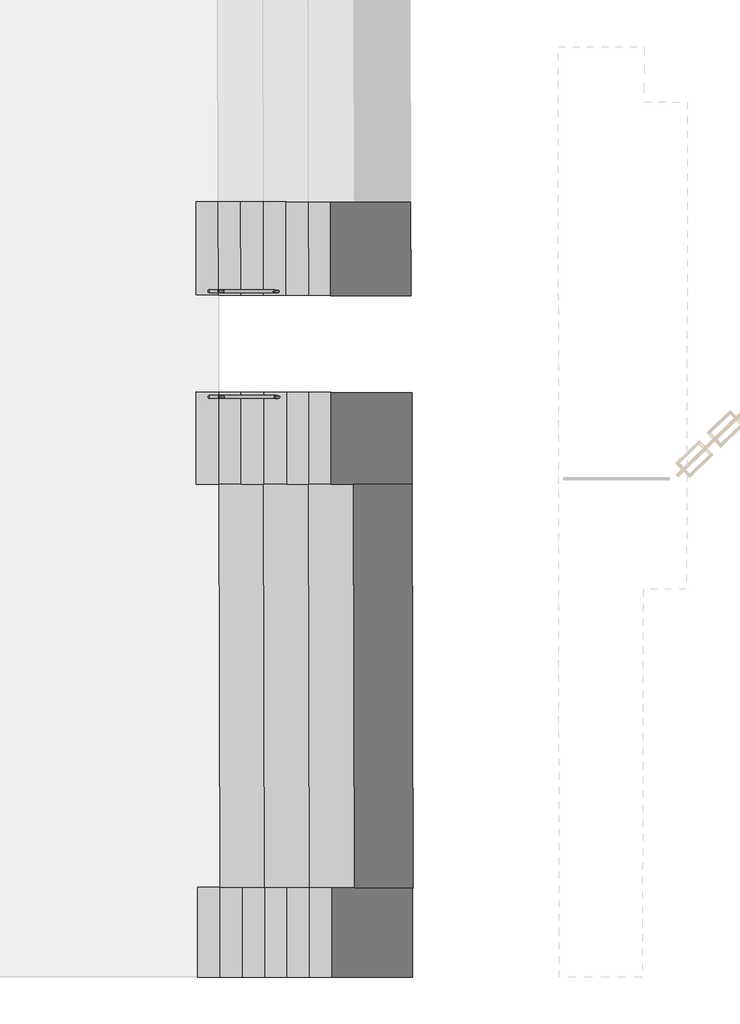
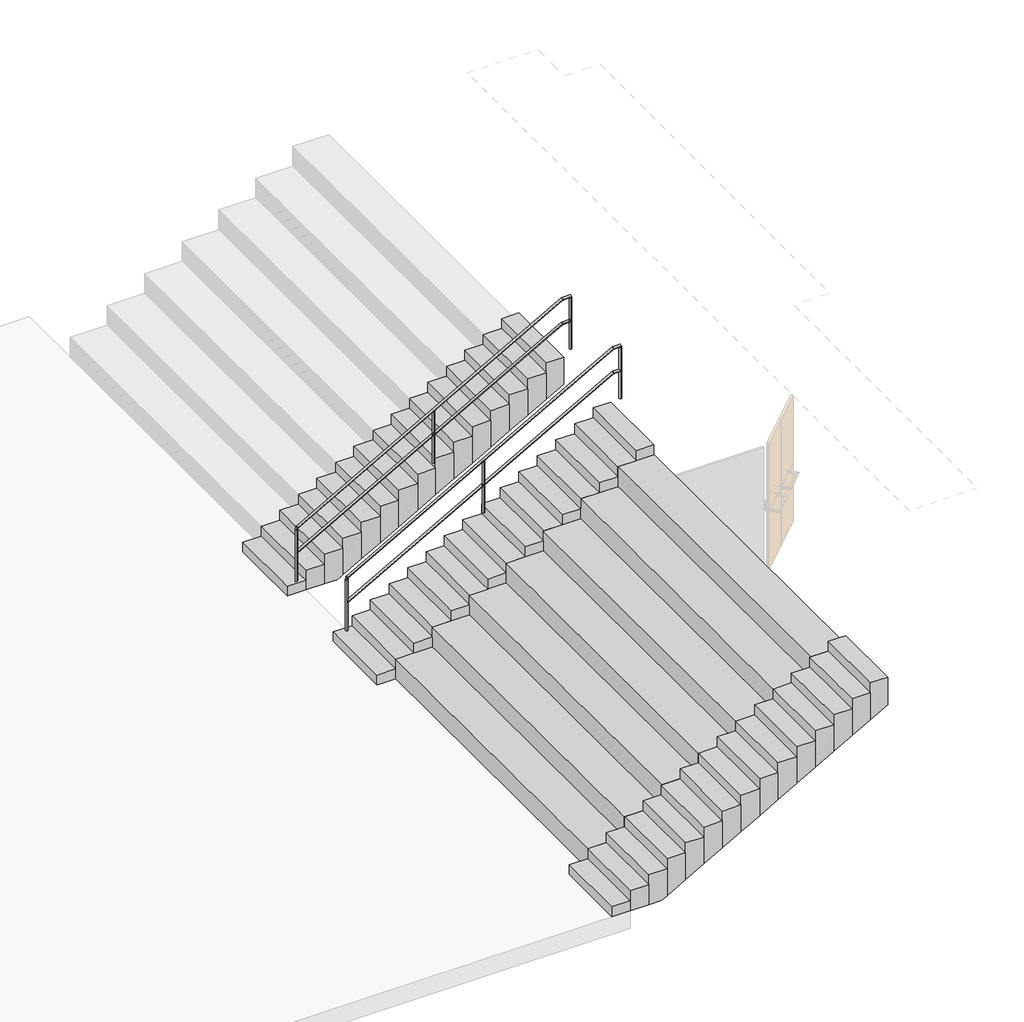
# One storey, part 5 of 6: 4 stair flights, 2 railings.
"""IFC4 building model written with IfcOpenShell, lengths in millimetres."""

from ifc_helpers import new_model, si_unit, frame, origin, place, context, project, spatial, circle_curve, ellipse_curve, faceted_brep, element, save
from ifc_brep_helpers import plane_surface, cylinder_surface, advanced_brep

model = new_model("IFC4")

# Units and contexts
model_context = context("Model", 3, world=origin())
ifc_project = project(units=[si_unit("LENGTHUNIT", "METRE", prefix="MILLI")], contexts=[model_context])

# Site, building, storey
site = spatial("IfcSite", under=ifc_project)
building = spatial("IfcBuilding", under=site)
storey = spatial("IfcBuildingStorey", under=building, Elevation=-9747.0673671)

# Railings
placement = place(None, origin())
element("IfcRailing", 1, at=placement, inside=storey, context=model_context, shape_type="AdvancedBrep", body=[
    advanced_brep(
    [(41979.0604048, -31465.120126, -8632.7191182), (41979.2500195, -31425.1205754, -8632.7191182), (46291.16645, -31485.5613203, -6190.0), (46291.3560646, -31445.5617697, -6190.0), (46431.1693648, -31486.2249929, -6190.0), (46431.3589795, -31446.2254424, -6190.0)],
    [
        (0, 1, ellipse_curve(frame((41979.1552122, -31445.1203507, -8632.7191182), z_axis=(-0.9999887643978026, 0.004740366879895171, 0.0), x_axis=(0.0, 0.0, -1.0)), 22.9860102, 20.0)),
        (1, 0, ellipse_curve(frame((41979.1552122, -31445.1203507, -8632.7191182), z_axis=(-0.9999887643978026, 0.004740366879895171, 0.0), x_axis=(0.0, 0.0, -1.0)), 22.9860102, 20.0)),
        (0, 2),
        (2, 3, ellipse_curve(frame((46291.2612573, -31465.561545, -6190.0), z_axis=(-0.96696753561581, 0.004583832381886502, -0.2548583401534703), x_axis=(0.25485547666654323, -0.0012081220347372086, -0.9669784002004483)), 20.6829853, 20.0)),
        (3, 1),
        (3, 2, ellipse_curve(frame((46291.2612573, -31465.561545, -6190.0), z_axis=(-0.96696753561581, 0.004583832381886502, -0.2548583401534703), x_axis=(0.25485547666654323, -0.0012081220347372086, -0.9669784002004483)), 20.6829853, 20.0)),
        (4, 5, circle_curve(frame((46431.2641721, -31466.2252177, -6190.0), z_axis=(0.9999887643978026, -0.004740366879899579, 0.0), x_axis=(0.004740366879899579, 0.9999887643978026, 0.0)), 20.0)),
        (5, 4, circle_curve(frame((46431.2641721, -31466.2252177, -6190.0), z_axis=(0.9999887643978026, -0.004740366879899579, 0.0), x_axis=(0.004740366879899579, 0.9999887643978026, 0.0)), 20.0)),
        (2, 4),
        (5, 3),
    ],
    [
        plane_surface(frame((41979.1552122, -31445.1203507, -8632.7191182), z_axis=(-0.9999887643978026, 0.004740366879895171, 0.0), x_axis=(0.004740366879895171, 0.9999887643978026, 0.0))),
        cylinder_surface(frame((41979.1552122, -31445.1203507, -8632.7191182), z_axis=(-0.8700846768732892, 0.0041245669269476615, -0.49288502007868834), x_axis=(0.004740366879895173, 0.9999887643978026, 0.0)), 20.0),
        plane_surface(frame((46431.2641721, -31466.2252177, -6190.0), z_axis=(0.9999887643978026, -0.004740366879899577, 0.0), x_axis=(0.004740366879899577, 0.9999887643978026, 0.0))),
        cylinder_surface(frame((46291.2612573, -31465.561545, -6190.0), z_axis=(-0.9999887643978026, 0.004740366879899579, 0.0), x_axis=(0.004740366879899579, 0.9999887643978026, 0.0)), 20.0),
    ],
    [
        (0, [[1, 2]]),
        (1, [[-1, 3, 4, 5]]),
        (1, [[-2, -5, 6, -3]]),
        (2, [[7, 8]]),
        (3, [[-4, 9, -8, 10]]),
        (3, [[-6, -10, -7, -9]]),
    ],
),
    advanced_brep(
    [(41979.2500195, -31425.1205754, -9052.7191182), (41979.0604048, -31465.120126, -9052.7191182), (46291.3560646, -31445.5617697, -6610.0), (46291.16645, -31485.5613203, -6610.0), (46431.3589795, -31446.2254424, -6610.0), (46431.1693648, -31486.2249929, -6610.0)],
    [
        (0, 1, ellipse_curve(frame((41979.1552122, -31445.1203507, -9052.7191182), z_axis=(-0.9999887643978026, 0.004740366879895171, 0.0), x_axis=(0.0, 0.0, -1.0)), 22.9860102, 20.0)),
        (1, 0, ellipse_curve(frame((41979.1552122, -31445.1203507, -9052.7191182), z_axis=(-0.9999887643978026, 0.004740366879895171, 0.0), x_axis=(0.0, 0.0, -1.0)), 22.9860102, 20.0)),
        (0, 2),
        (2, 3, ellipse_curve(frame((46291.2612573, -31465.561545, -6610.0), z_axis=(-0.96696753561581, 0.004583832381886502, -0.2548583401534703), x_axis=(0.25485547666654323, -0.0012081220347372086, -0.9669784002004483)), 20.6829853, 20.0)),
        (3, 1),
        (3, 2, ellipse_curve(frame((46291.2612573, -31465.561545, -6610.0), z_axis=(-0.96696753561581, 0.004583832381886502, -0.2548583401534703), x_axis=(0.25485547666654323, -0.0012081220347372086, -0.9669784002004483)), 20.6829853, 20.0)),
        (4, 5, circle_curve(frame((46431.2641721, -31466.2252177, -6610.0), z_axis=(0.9999887643978026, -0.004740366879899579, 0.0), x_axis=(-0.004740366879899579, -0.9999887643978026, 0.0)), 20.0)),
        (5, 4, circle_curve(frame((46431.2641721, -31466.2252177, -6610.0), z_axis=(0.9999887643978026, -0.004740366879899579, 0.0), x_axis=(-0.004740366879899579, -0.9999887643978026, 0.0)), 20.0)),
        (2, 4),
        (5, 3),
    ],
    [
        plane_surface(frame((41979.1552122, -31445.1203507, -9052.7191182), z_axis=(-0.9999887643978026, 0.004740366879895171, 0.0), x_axis=(0.004740366879895171, 0.9999887643978026, 0.0))),
        cylinder_surface(frame((41979.1552122, -31445.1203507, -9052.7191182), z_axis=(-0.8700846768732892, 0.0041245669269476615, -0.49288502007868834), x_axis=(-0.004740366879895173, -0.9999887643978026, 0.0)), 20.0),
        plane_surface(frame((46431.2641721, -31466.2252177, -6610.0), z_axis=(0.9999887643978026, -0.004740366879899577, 0.0), x_axis=(0.004740366879899577, 0.9999887643978026, 0.0))),
        cylinder_surface(frame((46291.2612573, -31465.561545, -6610.0), z_axis=(-0.9999887643978026, 0.004740366879899579, 0.0), x_axis=(-0.004740366879899579, -0.9999887643978026, 0.0)), 20.0),
    ],
    [
        (0, [[1, 2]]),
        (1, [[-1, 3, 4, 5]]),
        (1, [[-2, -5, 6, -3]]),
        (2, [[7, 8]]),
        (3, [[-4, 9, -8, 10]]),
        (3, [[-6, -10, -7, -9]]),
    ],
),
    advanced_brep(
    [(44205.11492, -31475.6651377, -7394.6911878), (44205.11492, -31475.6651377, -8283.0919731), (44225.2020457, -31455.7675563, -8283.0919731), (44205.3044643, -31435.6804307, -8283.0919731), (44205.3044643, -31435.6804307, -7394.6911878), (44225.2020457, -31455.7675563, -7383.365932), (44185.2173387, -31455.578012, -7406.0164436), (44185.2173387, -31455.578012, -8283.0919731)],
    [
        (0, 1),
        (1, 2, circle_curve(frame((44205.2096922, -31455.6727842, -8283.0919731), z_axis=(0.0, 0.0, 1.0000000000000002), x_axis=(0.004740366879895172, 0.9999887643978027, 0.0)), 19.9925781)),
        (2, 3, circle_curve(frame((44205.2096922, -31455.6727842, -8283.0919731), z_axis=(0.0, 0.0, 1.0000000000000002), x_axis=(0.004740366879895172, 0.9999887643978027, 0.0)), 19.9925781)),
        (3, 4),
        (4, 5, ellipse_curve(frame((44205.2096922, -31455.6727842, -7394.6911878), z_axis=(0.4928794822186707, -0.0023364558247774662, -0.8700944529084383), x_axis=(0.8700846768732913, -0.00412456692694767, 0.492885020078685)), 22.9774803, 19.9925781)),
        (5, 0, ellipse_curve(frame((44205.2096922, -31455.6727842, -7394.6911878), z_axis=(0.4928794822186707, -0.0023364558247774662, -0.8700944529084383), x_axis=(0.8700846768732913, -0.00412456692694767, 0.492885020078685)), 22.9774803, 19.9925781)),
        (0, 6, ellipse_curve(frame((44205.2096922, -31455.6727842, -7394.6911878), z_axis=(0.4928794822186707, -0.0023364558247774662, -0.8700944529084383), x_axis=(0.8700846768732913, -0.00412456692694767, 0.492885020078685)), 22.9774803, 19.9925781)),
        (6, 4, ellipse_curve(frame((44205.2096922, -31455.6727842, -7394.6911878), z_axis=(0.4928794822186707, -0.0023364558247774662, -0.8700944529084383), x_axis=(0.8700846768732913, -0.00412456692694767, 0.492885020078685)), 22.9774803, 19.9925781)),
        (3, 7, circle_curve(frame((44205.2096922, -31455.6727842, -8283.0919731), z_axis=(0.0, 0.0, 1.0000000000000002), x_axis=(0.004740366879895172, 0.9999887643978027, 0.0)), 19.9925781)),
        (7, 1, circle_curve(frame((44205.2096922, -31455.6727842, -8283.0919731), z_axis=(0.0, 0.0, 1.0000000000000002), x_axis=(0.004740366879895172, 0.9999887643978027, 0.0)), 19.9925781)),
    ],
    [
        cylinder_surface(frame((44205.2096922, -31455.6727842, -8511.6919731), z_axis=(0.0, 0.0, 1.0000000000000002), x_axis=(0.004740366879895172, 0.9999887643978027, 0.0)), 19.9925781),
        plane_surface(frame((44225.2968178, -31435.7752028, -7383.365932), z_axis=(-0.4928794822186707, 0.0023364558247774662, 0.8700944529084383), x_axis=(-0.004740366879895172, -0.9999887643978027, 0.0))),
        plane_surface(frame((44185.3121108, -31435.5856585, -8283.0919731), z_axis=(0.0, 0.0, -1.0000000000000002), x_axis=(-0.004740366879895172, -0.9999887643978027, 0.0))),
    ],
    [
        (0, [[1, 2, 3, 4, 5, 6]]),
        (0, [[-1, 7, 8, -4, 9, 10]]),
        (1, [[-6, -5, -8, -7]]),
        (2, [[-2, -10, -9, -3]]),
    ],
),
    advanced_brep(
    [(46431.1694, -31486.2175712, -6210.0), (46431.1694, -31486.2175712, -7090.0), (46451.2565256, -31466.3199898, -7090.0), (46431.3589443, -31446.2328642, -7090.0), (46431.3589443, -31446.2328642, -6210.0), (46451.2565256, -31466.3199898, -6210.0), (46411.2718186, -31466.1304455, -6210.0), (46411.2718186, -31466.1304455, -7090.0)],
    [
        (0, 1),
        (1, 2, circle_curve(frame((46431.2641721, -31466.2252177, -7090.0), z_axis=(0.0, 0.0, 1.0000000000000002), x_axis=(0.004740366879895172, 0.9999887643978027, 0.0)), 19.9925781)),
        (2, 3, circle_curve(frame((46431.2641721, -31466.2252177, -7090.0), z_axis=(0.0, 0.0, 1.0000000000000002), x_axis=(0.004740366879895172, 0.9999887643978027, 0.0)), 19.9925781)),
        (3, 4),
        (4, 5, circle_curve(frame((46431.2641721, -31466.2252177, -6210.0), z_axis=(0.0, 0.0, -1.0000000000000002), x_axis=(0.004740366879895172, 0.9999887643978027, 0.0)), 19.9925781)),
        (5, 0, circle_curve(frame((46431.2641721, -31466.2252177, -6210.0), z_axis=(0.0, 0.0, -1.0000000000000002), x_axis=(0.004740366879895172, 0.9999887643978027, 0.0)), 19.9925781)),
        (0, 6, circle_curve(frame((46431.2641721, -31466.2252177, -6210.0), z_axis=(0.0, 0.0, -1.0000000000000002), x_axis=(0.004740366879895172, 0.9999887643978027, 0.0)), 19.9925781)),
        (6, 4, circle_curve(frame((46431.2641721, -31466.2252177, -6210.0), z_axis=(0.0, 0.0, -1.0000000000000002), x_axis=(0.004740366879895172, 0.9999887643978027, 0.0)), 19.9925781)),
        (3, 7, circle_curve(frame((46431.2641721, -31466.2252177, -7090.0), z_axis=(0.0, 0.0, 1.0000000000000002), x_axis=(0.004740366879895172, 0.9999887643978027, 0.0)), 19.9925781)),
        (7, 1, circle_curve(frame((46431.2641721, -31466.2252177, -7090.0), z_axis=(0.0, 0.0, 1.0000000000000002), x_axis=(0.004740366879895172, 0.9999887643978027, 0.0)), 19.9925781)),
    ],
    [
        cylinder_surface(frame((46431.2641721, -31466.2252177, -7318.6), z_axis=(0.0, 0.0, 1.0000000000000002), x_axis=(0.004740366879895172, 0.9999887643978027, 0.0)), 19.9925781),
        plane_surface(frame((46451.3512978, -31446.3276363, -6210.0), z_axis=(0.0, 0.0, 1.0000000000000002), x_axis=(-0.004740366879895172, -0.9999887643978027, 0.0))),
        plane_surface(frame((46411.3665908, -31446.138092, -7090.0), z_axis=(0.0, 0.0, -1.0000000000000002), x_axis=(-0.004740366879895172, -0.9999887643978027, 0.0))),
    ],
    [
        (0, [[1, 2, 3, 4, 5, 6]]),
        (0, [[-1, 7, 8, -4, 9, 10]]),
        (1, [[-6, -5, -8, -7]]),
        (2, [[-2, -10, -9, -3]]),
    ],
),
    advanced_brep(
    [(41979.06044, -31465.1127042, -8655.7051284), (41979.06044, -31465.1127042, -9646.6256566), (41999.1475657, -31445.2151228, -9646.6256566), (41979.2499843, -31425.1279972, -9646.6256566), (41979.2499843, -31425.1279972, -8655.7051284), (41999.1475657, -31445.2151228, -8644.3798726), (41959.1628587, -31445.0255785, -8667.0303842), (41959.1628587, -31445.0255785, -9646.6256566)],
    [
        (0, 1),
        (1, 2, circle_curve(frame((41979.1552122, -31445.1203507, -9646.6256566), z_axis=(0.0, 0.0, 1.0000000000000002), x_axis=(0.004740366879895172, 0.9999887643978027, 0.0)), 19.9925781)),
        (2, 3, circle_curve(frame((41979.1552122, -31445.1203507, -9646.6256566), z_axis=(0.0, 0.0, 1.0000000000000002), x_axis=(0.004740366879895172, 0.9999887643978027, 0.0)), 19.9925781)),
        (3, 4),
        (4, 5, ellipse_curve(frame((41979.1552122, -31445.1203507, -8655.7051284), z_axis=(0.4928794822186707, -0.0023364558247774662, -0.8700944529084383), x_axis=(0.8700846768732913, -0.00412456692694767, 0.492885020078685)), 22.9774803, 19.9925781)),
        (5, 0, ellipse_curve(frame((41979.1552122, -31445.1203507, -8655.7051284), z_axis=(0.4928794822186707, -0.0023364558247774662, -0.8700944529084383), x_axis=(0.8700846768732913, -0.00412456692694767, 0.492885020078685)), 22.9774803, 19.9925781)),
        (0, 6, ellipse_curve(frame((41979.1552122, -31445.1203507, -8655.7051284), z_axis=(0.4928794822186707, -0.0023364558247774662, -0.8700944529084383), x_axis=(0.8700846768732913, -0.00412456692694767, 0.492885020078685)), 22.9774803, 19.9925781)),
        (6, 4, ellipse_curve(frame((41979.1552122, -31445.1203507, -8655.7051284), z_axis=(0.4928794822186707, -0.0023364558247774662, -0.8700944529084383), x_axis=(0.8700846768732913, -0.00412456692694767, 0.492885020078685)), 22.9774803, 19.9925781)),
        (3, 7, circle_curve(frame((41979.1552122, -31445.1203507, -9646.6256566), z_axis=(0.0, 0.0, 1.0000000000000002), x_axis=(0.004740366879895172, 0.9999887643978027, 0.0)), 19.9925781)),
        (7, 1, circle_curve(frame((41979.1552122, -31445.1203507, -9646.6256566), z_axis=(0.0, 0.0, 1.0000000000000002), x_axis=(0.004740366879895172, 0.9999887643978027, 0.0)), 19.9925781)),
    ],
    [
        cylinder_surface(frame((41979.1552122, -31445.1203507, -9875.2256566), z_axis=(0.0, 0.0, 1.0000000000000002), x_axis=(0.004740366879895172, 0.9999887643978027, 0.0)), 19.9925781),
        plane_surface(frame((41999.2423378, -31425.2227693, -8644.3798726), z_axis=(-0.4928794822186707, 0.0023364558247774662, 0.8700944529084383), x_axis=(-0.004740366879895172, -0.9999887643978027, 0.0))),
        plane_surface(frame((41959.2576308, -31425.033225, -9646.6256566), z_axis=(0.0, 0.0, -1.0000000000000002), x_axis=(-0.004740366879895172, -0.9999887643978027, 0.0))),
    ],
    [
        (0, [[1, 2, 3, 4, 5, 6]]),
        (0, [[-1, 7, 8, -4, 9, 10]]),
        (1, [[-6, -5, -8, -7]]),
        (2, [[-2, -10, -9, -3]]),
    ],
),
])
element("IfcRailing", 2, at=placement, inside=storey, context=model_context, shape_type="AdvancedBrep", body=[
    advanced_brep(
    [(41980.4528002, -32878.5881178, -8635.5866067), (41980.5885119, -32838.588348, -8635.5866067), (46311.5186989, -32893.2826119, -6190.0), (46311.6544107, -32853.2828421, -6190.0), (46431.5186989, -32893.6897494, -6190.0), (46431.6544107, -32853.6899796, -6190.0)],
    [
        (0, 1, ellipse_curve(frame((41980.520656, -32858.5882329, -8635.5866067), z_axis=(-0.9999942444616842, 0.0033927928768881957, 0.0), x_axis=(0.0, 0.0, -1.0)), 22.9681436, 20.0)),
        (1, 0, ellipse_curve(frame((41980.520656, -32858.5882329, -8635.5866067), z_axis=(-0.9999942444616842, 0.0033927928768881957, 0.0), x_axis=(0.0, 0.0, -1.0)), 22.9681436, 20.0)),
        (0, 2),
        (2, 3, ellipse_curve(frame((46311.5865548, -32873.282727, -6190.0), z_axis=(-0.9671478049221507, 0.0032813510693777146, -0.2541935407704631), x_axis=(0.2541920777497995, -0.0008624260344693314, -0.9671533714104371)), 20.6792434, 20.0)),
        (3, 1),
        (3, 2, ellipse_curve(frame((46311.5865548, -32873.282727, -6190.0), z_axis=(-0.9671478049221507, 0.0032813510693777146, -0.2541935407704631), x_axis=(0.2541920777497995, -0.0008624260344693314, -0.9671533714104371)), 20.6792434, 20.0)),
        (4, 5, circle_curve(frame((46431.5865548, -32873.6898645, -6190.0), z_axis=(0.9999942444616843, -0.0033927928768842873, 0.0), x_axis=(0.0033927928768842873, 0.9999942444616843, 0.0)), 20.0)),
        (5, 4, circle_curve(frame((46431.5865548, -32873.6898645, -6190.0), z_axis=(0.9999942444616843, -0.0033927928768842873, 0.0), x_axis=(0.0033927928768842873, 0.9999942444616843, 0.0)), 20.0)),
        (2, 4),
        (5, 3),
    ],
    [
        plane_surface(frame((41980.520656, -32858.5882329, -8635.5866067), z_axis=(-0.9999942444616842, 0.0033927928768881957, 0.0), x_axis=(0.0033927928768881957, 0.9999942444616842, 0.0))),
        cylinder_surface(frame((41980.520656, -32858.5882329, -8635.5866067), z_axis=(-0.8707662759036393, 0.002954346622175511, -0.4916882798938197), x_axis=(0.003392792876888195, 0.9999942444616842, 0.0)), 20.0),
        plane_surface(frame((46431.5865548, -32873.6898645, -6190.0), z_axis=(0.9999942444616843, -0.003392792876884287, 0.0), x_axis=(0.003392792876884287, 0.9999942444616843, 0.0))),
        cylinder_surface(frame((46311.5865548, -32873.282727, -6190.0), z_axis=(-0.9999942444616843, 0.0033927928768842873, 0.0), x_axis=(0.0033927928768842873, 0.9999942444616843, 0.0)), 20.0),
    ],
    [
        (0, [[1, 2]]),
        (1, [[-1, 3, 4, 5]]),
        (1, [[-2, -5, 6, -3]]),
        (2, [[7, 8]]),
        (3, [[-4, 9, -8, 10]]),
        (3, [[-6, -10, -7, -9]]),
    ],
),
    advanced_brep(
    [(41980.4528002, -32878.5881178, -9055.5866067), (41980.5885119, -32838.588348, -9055.5866067), (46311.5186989, -32893.2826119, -6610.0), (46311.6544107, -32853.2828421, -6610.0), (46431.5186989, -32893.6897494, -6610.0), (46431.6544107, -32853.6899796, -6610.0)],
    [
        (0, 1, ellipse_curve(frame((41980.520656, -32858.5882329, -9055.5866067), z_axis=(-0.9999942444616842, 0.0033927928768881957, 0.0), x_axis=(0.0, 0.0, -1.0)), 22.9681436, 20.0)),
        (1, 0, ellipse_curve(frame((41980.520656, -32858.5882329, -9055.5866067), z_axis=(-0.9999942444616842, 0.0033927928768881957, 0.0), x_axis=(0.0, 0.0, -1.0)), 22.9681436, 20.0)),
        (0, 2),
        (2, 3, ellipse_curve(frame((46311.5865548, -32873.282727, -6610.0), z_axis=(-0.9671478049221507, 0.0032813510693777146, -0.2541935407704631), x_axis=(0.2541920777497995, -0.0008624260344693314, -0.9671533714104371)), 20.6792434, 20.0)),
        (3, 1),
        (3, 2, ellipse_curve(frame((46311.5865548, -32873.282727, -6610.0), z_axis=(-0.9671478049221507, 0.0032813510693777146, -0.2541935407704631), x_axis=(0.2541920777497995, -0.0008624260344693314, -0.9671533714104371)), 20.6792434, 20.0)),
        (4, 5, circle_curve(frame((46431.5865548, -32873.6898645, -6610.0), z_axis=(0.9999942444616843, -0.0033927928768842873, 0.0), x_axis=(0.0033927928768842873, 0.9999942444616843, 0.0)), 20.0)),
        (5, 4, circle_curve(frame((46431.5865548, -32873.6898645, -6610.0), z_axis=(0.9999942444616843, -0.0033927928768842873, 0.0), x_axis=(0.0033927928768842873, 0.9999942444616843, 0.0)), 20.0)),
        (2, 4),
        (5, 3),
    ],
    [
        plane_surface(frame((41980.520656, -32858.5882329, -9055.5866067), z_axis=(-0.9999942444616842, 0.0033927928768881957, 0.0), x_axis=(0.0033927928768881957, 0.9999942444616842, 0.0))),
        cylinder_surface(frame((41980.520656, -32858.5882329, -9055.5866067), z_axis=(-0.8707662759036393, 0.002954346622175511, -0.4916882798938197), x_axis=(0.003392792876888195, 0.9999942444616842, 0.0)), 20.0),
        plane_surface(frame((46431.5865548, -32873.6898645, -6610.0), z_axis=(0.9999942444616843, -0.003392792876884287, 0.0), x_axis=(0.003392792876884287, 0.9999942444616843, 0.0))),
        cylinder_surface(frame((46311.5865548, -32873.282727, -6610.0), z_axis=(-0.9999942444616843, 0.0033927928768842873, 0.0), x_axis=(0.0033927928768842873, 0.9999942444616843, 0.0)), 20.0),
    ],
    [
        (0, [[1, 2]]),
        (1, [[-1, 3, 4, 5]]),
        (1, [[-2, -5, 6, -3]]),
        (2, [[7, 8]]),
        (3, [[-4, 9, -8, 10]]),
        (3, [[-6, -10, -7, -9]]),
    ],
),
    advanced_brep(
    [(44206.1214361, -32846.1465856, -7401.8817509), (44226.0460685, -32866.2068794, -7390.5927747), (44205.9857747, -32886.1315117, -7401.8817509), (44205.9857747, -32886.1315117, -8283.0919731), (44226.0460685, -32866.2068794, -8283.0919731), (44206.1214361, -32846.1465856, -8283.0919731), (44186.0611423, -32866.071218, -8283.0919731), (44186.0611423, -32866.071218, -7413.1707271)],
    [
        (0, 1, ellipse_curve(frame((44206.0536054, -32866.1390487, -7401.8817509), z_axis=(0.49168544996308255, -0.0016681964936733596, -0.8707712876611514), x_axis=(0.870766275903641, -0.002954346622175885, 0.4916882798938165)), 22.9596203, 19.9925781)),
        (1, 2, ellipse_curve(frame((44206.0536054, -32866.1390487, -7401.8817509), z_axis=(0.49168544996308255, -0.0016681964936733596, -0.8707712876611514), x_axis=(0.870766275903641, -0.002954346622175885, 0.4916882798938165)), 22.9596203, 19.9925781)),
        (2, 3),
        (3, 4, circle_curve(frame((44206.0536054, -32866.1390487, -8283.0919731), z_axis=(0.0, 0.0, 1.0), x_axis=(-0.003392792876888619, -0.9999942444616842, 0.0)), 19.9925781)),
        (4, 5, circle_curve(frame((44206.0536054, -32866.1390487, -8283.0919731), z_axis=(0.0, 0.0, 1.0), x_axis=(-0.003392792876888619, -0.9999942444616842, 0.0)), 19.9925781)),
        (5, 0),
        (5, 6, circle_curve(frame((44206.0536054, -32866.1390487, -8283.0919731), z_axis=(0.0, 0.0, 1.0), x_axis=(-0.003392792876888619, -0.9999942444616842, 0.0)), 19.9925781)),
        (6, 3, circle_curve(frame((44206.0536054, -32866.1390487, -8283.0919731), z_axis=(0.0, 0.0, 1.0), x_axis=(-0.003392792876888619, -0.9999942444616842, 0.0)), 19.9925781)),
        (2, 7, ellipse_curve(frame((44206.0536054, -32866.1390487, -7401.8817509), z_axis=(0.49168544996308255, -0.0016681964936733596, -0.8707712876611514), x_axis=(0.870766275903641, -0.002954346622175885, 0.4916882798938165)), 22.9596203, 19.9925781)),
        (7, 0, ellipse_curve(frame((44206.0536054, -32866.1390487, -7401.8817509), z_axis=(0.49168544996308255, -0.0016681964936733596, -0.8707712876611514), x_axis=(0.870766275903641, -0.002954346622175885, 0.4916882798938165)), 22.9596203, 19.9925781)),
    ],
    [
        cylinder_surface(frame((44206.0536054, -32866.1390487, -8511.6919731), z_axis=(0.0, 0.0, 1.0), x_axis=(-0.003392792876888619, -0.9999942444616842, 0.0)), 19.9925781),
        plane_surface(frame((44225.9782378, -32886.1993424, -7390.5927747), z_axis=(-0.49168544996308255, 0.0016681964936733596, 0.8707712876611514), x_axis=(0.003392792876888619, 0.9999942444616842, 0.0))),
        plane_surface(frame((44185.9933117, -32886.0636811, -8283.0919731), z_axis=(0.0, 0.0, -1.0), x_axis=(0.003392792876888619, 0.9999942444616842, 0.0))),
    ],
    [
        (0, [[1, 2, 3, 4, 5, 6]]),
        (0, [[7, 8, -3, 9, 10, -6]]),
        (1, [[-10, -9, -2, -1]]),
        (2, [[-4, -8, -7, -5]]),
    ],
),
    advanced_brep(
    [(46431.6543855, -32853.6974014, -6210.0), (46451.5790179, -32873.7576952, -6210.0), (46431.5187241, -32893.6823275, -6210.0), (46431.5187241, -32893.6823275, -7090.0), (46451.5790179, -32873.7576952, -7090.0), (46431.6543855, -32853.6974014, -7090.0), (46411.5940917, -32873.6220338, -7090.0), (46411.5940917, -32873.6220338, -6210.0)],
    [
        (0, 1, circle_curve(frame((46431.5865548, -32873.6898645, -6210.0), z_axis=(0.0, 0.0, -1.0), x_axis=(-0.003392792876888619, -0.9999942444616842, 0.0)), 19.9925781)),
        (1, 2, circle_curve(frame((46431.5865548, -32873.6898645, -6210.0), z_axis=(0.0, 0.0, -1.0), x_axis=(-0.003392792876888619, -0.9999942444616842, 0.0)), 19.9925781)),
        (2, 3),
        (3, 4, circle_curve(frame((46431.5865548, -32873.6898645, -7090.0), z_axis=(0.0, 0.0, 1.0), x_axis=(-0.003392792876888619, -0.9999942444616842, 0.0)), 19.9925781)),
        (4, 5, circle_curve(frame((46431.5865548, -32873.6898645, -7090.0), z_axis=(0.0, 0.0, 1.0), x_axis=(-0.003392792876888619, -0.9999942444616842, 0.0)), 19.9925781)),
        (5, 0),
        (5, 6, circle_curve(frame((46431.5865548, -32873.6898645, -7090.0), z_axis=(0.0, 0.0, 1.0), x_axis=(-0.003392792876888619, -0.9999942444616842, 0.0)), 19.9925781)),
        (6, 3, circle_curve(frame((46431.5865548, -32873.6898645, -7090.0), z_axis=(0.0, 0.0, 1.0), x_axis=(-0.003392792876888619, -0.9999942444616842, 0.0)), 19.9925781)),
        (2, 7, circle_curve(frame((46431.5865548, -32873.6898645, -6210.0), z_axis=(0.0, 0.0, -1.0), x_axis=(-0.003392792876888619, -0.9999942444616842, 0.0)), 19.9925781)),
        (7, 0, circle_curve(frame((46431.5865548, -32873.6898645, -6210.0), z_axis=(0.0, 0.0, -1.0), x_axis=(-0.003392792876888619, -0.9999942444616842, 0.0)), 19.9925781)),
    ],
    [
        cylinder_surface(frame((46431.5865548, -32873.6898645, -7318.6), z_axis=(0.0, 0.0, 1.0), x_axis=(-0.003392792876888619, -0.9999942444616842, 0.0)), 19.9925781),
        plane_surface(frame((46451.5111872, -32893.7501582, -6210.0), z_axis=(0.0, 0.0, 1.0), x_axis=(0.003392792876888619, 0.9999942444616842, 0.0))),
        plane_surface(frame((46411.5262611, -32893.6144969, -7090.0), z_axis=(0.0, 0.0, -1.0), x_axis=(0.003392792876888619, 0.9999942444616842, 0.0))),
    ],
    [
        (0, [[1, 2, 3, 4, 5, 6]]),
        (0, [[7, 8, -3, 9, 10, -6]]),
        (1, [[-10, -9, -2, -1]]),
        (2, [[-4, -8, -7, -5]]),
    ],
),
    advanced_brep(
    [(41980.5884867, -32838.5957698, -8658.5547503), (42000.5131191, -32858.6560636, -8647.2657741), (41980.4528253, -32878.5806959, -8658.5547503), (41980.4528253, -32878.5806959, -9646.6256566), (42000.5131191, -32858.6560636, -9646.6256566), (41980.5884867, -32838.5957698, -9646.6256566), (41960.528193, -32858.5204022, -9646.6256566), (41960.528193, -32858.5204022, -8669.8437265)],
    [
        (0, 1, ellipse_curve(frame((41980.520656, -32858.5882329, -8658.5547503), z_axis=(0.49168544996308255, -0.0016681964936733596, -0.8707712876611514), x_axis=(0.870766275903641, -0.002954346622175885, 0.4916882798938165)), 22.9596203, 19.9925781)),
        (1, 2, ellipse_curve(frame((41980.520656, -32858.5882329, -8658.5547503), z_axis=(0.49168544996308255, -0.0016681964936733596, -0.8707712876611514), x_axis=(0.870766275903641, -0.002954346622175885, 0.4916882798938165)), 22.9596203, 19.9925781)),
        (2, 3),
        (3, 4, circle_curve(frame((41980.520656, -32858.5882329, -9646.6256566), z_axis=(0.0, 0.0, 1.0), x_axis=(-0.003392792876888619, -0.9999942444616842, 0.0)), 19.9925781)),
        (4, 5, circle_curve(frame((41980.520656, -32858.5882329, -9646.6256566), z_axis=(0.0, 0.0, 1.0), x_axis=(-0.003392792876888619, -0.9999942444616842, 0.0)), 19.9925781)),
        (5, 0),
        (5, 6, circle_curve(frame((41980.520656, -32858.5882329, -9646.6256566), z_axis=(0.0, 0.0, 1.0), x_axis=(-0.003392792876888619, -0.9999942444616842, 0.0)), 19.9925781)),
        (6, 3, circle_curve(frame((41980.520656, -32858.5882329, -9646.6256566), z_axis=(0.0, 0.0, 1.0), x_axis=(-0.003392792876888619, -0.9999942444616842, 0.0)), 19.9925781)),
        (2, 7, ellipse_curve(frame((41980.520656, -32858.5882329, -8658.5547503), z_axis=(0.49168544996308255, -0.0016681964936733596, -0.8707712876611514), x_axis=(0.870766275903641, -0.002954346622175885, 0.4916882798938165)), 22.9596203, 19.9925781)),
        (7, 0, ellipse_curve(frame((41980.520656, -32858.5882329, -8658.5547503), z_axis=(0.49168544996308255, -0.0016681964936733596, -0.8707712876611514), x_axis=(0.870766275903641, -0.002954346622175885, 0.4916882798938165)), 22.9596203, 19.9925781)),
    ],
    [
        cylinder_surface(frame((41980.520656, -32858.5882329, -9875.2256566), z_axis=(0.0, 0.0, 1.0), x_axis=(-0.003392792876888619, -0.9999942444616842, 0.0)), 19.9925781),
        plane_surface(frame((42000.4452884, -32878.6485266, -8647.2657741), z_axis=(-0.49168544996308255, 0.0016681964936733596, 0.8707712876611514), x_axis=(0.003392792876888619, 0.9999942444616842, 0.0))),
        plane_surface(frame((41960.4603623, -32878.5128653, -9646.6256566), z_axis=(0.0, 0.0, -1.0), x_axis=(0.003392792876888619, 0.9999942444616842, 0.0))),
    ],
    [
        (0, [[1, 2, 3, 4, 5, 6]]),
        (0, [[7, 8, -3, 9, 10, -6]]),
        (1, [[-10, -9, -2, -1]]),
        (2, [[-4, -8, -7, -5]]),
    ],
),
])

# Stair flights
element("IfcStairFlight", 3, at=placement, inside=storey, context=model_context, shape_type="Brep", body=[
    faceted_brep([(42703.4651959, -34026.484064, -9376.3089462), (42104.9580622, -34026.484064, -9376.3089462), (42117.7093897, -39421.8571579, -9376.3089462), (42716.2227884, -39424.5080172, -9376.3089462), (42703.4651959, -34026.484064, -9666.6314953), (42614.0061975, -34026.484064, -9717.0673671), (42104.9580622, -34026.484064, -9717.0673671), (42117.7093897, -39421.8571579, -9717.0673671), (42626.7628536, -39424.1117927, -9717.0673671), (42716.2227884, -39424.5080172, -9666.6314953), (43307.3281839, -34026.484064, -9035.5505253), (42703.4651959, -34026.484064, -9035.5505253), (42716.2227884, -39424.5080172, -9035.5505253), (43320.0920975, -39427.1825982, -9035.5505253), (43307.3281839, -34026.484064, -9326.1810459), (43320.0920975, -39427.1825982, -9326.1810459), (43906.6764409, -34026.484064, -8694.7921044), (43307.3281839, -34026.484064, -8694.7921044), (43320.0920975, -39427.1825982, -8694.7921044), (43919.4466282, -39429.837183, -8694.7921044), (43906.6764409, -34026.484064, -8988.2759458), (43919.4466282, -39429.837183, -8988.2759458), (44512.6308916, -34026.484064, -8354.0336835), (43906.6764409, -34026.484064, -8354.0336835), (43919.4466282, -39429.837183, -8354.0336835), (44525.4074219, -39432.5210273, -8354.0336835), (44512.6308916, -34026.484064, -8646.6463557), (44525.4074219, -39432.5210273, -8646.6463557), (45120.3615142, -34026.484064, -8013.2752626), (44512.6308916, -34026.484064, -8013.2752626), (44525.4074219, -39432.5210273, -8013.2752626), (45133.1444061, -39435.2127385, -8013.2752626), (45120.3615142, -34026.484064, -8304.0153819), (45133.1444061, -39435.2127385, -8304.0153819), (45728.0921369, -34026.484064, -7672.5168418), (45120.3615142, -34026.484064, -7672.5168418), (45133.1444061, -39435.2127385, -7672.5168418), (45740.8813903, -39437.9044498, -7672.5168418), (45728.0921369, -34026.484064, -7961.3844082), (45740.8813903, -39437.9044498, -7961.3844082), (46316.7727063, -34026.484064, -7331.7584209), (45728.0921369, -34026.484064, -7331.7584209), (45740.8813903, -39437.9044498, -7331.7584209), (46329.5681218, -39440.511786, -7331.7584209), (46316.7727063, -34026.484064, -7629.4936177), (46329.5681218, -39440.511786, -7629.4936177)], [[[0, 1, 2, 3]], [[1, 0, 4, 5, 6]], [[2, 1, 6, 7]], [[3, 2, 7, 8, 9]], [[10, 11, 12, 13]], [[11, 10, 14, 4, 0]], [[0, 3, 12, 11]], [[13, 12, 3, 9, 15]], [[16, 17, 18, 19]], [[17, 16, 20, 14, 10]], [[10, 13, 18, 17]], [[19, 18, 13, 15, 21]], [[22, 23, 24, 25]], [[23, 22, 26, 20, 16]], [[16, 19, 24, 23]], [[25, 24, 19, 21, 27]], [[28, 29, 30, 31]], [[29, 28, 32, 26, 22]], [[22, 25, 30, 29]], [[31, 30, 25, 27, 33]], [[34, 35, 36, 37]], [[35, 34, 38, 32, 28]], [[28, 31, 36, 35]], [[37, 36, 31, 33, 39]], [[40, 41, 42, 43]], [[41, 40, 44, 38, 34]], [[34, 37, 42, 41]], [[43, 42, 37, 39, 45]], [[40, 43, 45, 44]], [[7, 6, 5, 8]], [[8, 5, 4, 14, 20, 26, 32, 38, 44, 45, 39, 33, 27, 21, 15, 9]]]),
])
element("IfcStairFlight", 4, at=placement, inside=storey, context=model_context, shape_type="Brep", body=[
    faceted_brep([(42096.0300859, -30248.8941734, -9546.6256566), (41796.2285883, -30248.0192273, -9546.6256566), (41797.9683383, -31495.2100946, -9546.6256566), (42097.7705979, -31496.6312832, -9546.6256566), (42096.0300859, -30248.8941734, -9717.0673671), (41796.2285883, -30248.0192273, -9717.0673671), (41797.9683383, -31495.2100946, -9717.0673671), (42097.7705979, -31496.6312832, -9717.0673671), (42396.2315952, -30249.770287, -9376.1839462), (42096.0300859, -30248.8941734, -9376.1839462), (42097.7705979, -31496.6312832, -9376.1839462), (42397.9728702, -31498.0543681, -9376.1839462), (42396.2315952, -30249.770287, -9717.0673671), (42397.9728702, -31498.0543681, -9717.0673671), (42700.5942619, -30250.6585445, -9205.7422357), (42396.2315952, -30249.770287, -9205.7422357), (42397.9728702, -31498.0543681, -9205.7422357), (42702.3363105, -31499.4971787, -9205.7422357), (42700.5942619, -30250.6585445, -9664.28037), (42607.4574886, -30250.3867325, -9717.0673671), (42609.1993004, -31499.0556702, -9717.0673671), (42702.3363105, -31499.4971787, -9664.28037), (43001.4346575, -30251.5365226, -9035.3005253), (42700.5942619, -30250.6585445, -9035.3005253), (42702.3363105, -31499.4971787, -9035.3005253), (43003.1774707, -31500.9232922, -9035.3005253), (43001.4346575, -30251.5365226, -9493.7734853), (43003.1774707, -31500.9232922, -9493.7734853), (43307.2193487, -30252.4289302, -8864.8588149), (43001.4346575, -30251.5365226, -8864.8588149), (43003.1774707, -31500.9232922, -8864.8588149), (43308.9629391, -31502.3728438, -8864.8588149), (43307.2193487, -30252.4289302, -9320.4643292), (43308.9629391, -31502.3728438, -9320.4643292), (43599.1376698, -30253.28087, -8694.4171044), (43307.2193487, -30252.4289302, -8694.4171044), (43308.9629391, -31502.3728438, -8694.4171044), (43600.8820022, -31503.7566628, -8694.4171044), (43599.1376698, -30253.28087, -9155.014196), (43600.8820022, -31503.7566628, -9155.014196), (43917.0759413, -30254.2087468, -8523.975394), (43599.1376698, -30253.28087, -8523.975394), (43600.8820022, -31503.7566628, -8523.975394), (43918.8210817, -31505.2638276, -8523.975394), (43917.0759413, -30254.2087468, -8974.8167724), (43918.8210817, -31505.2638276, -8974.8167724), (44206.8407229, -30255.0544016, -8353.5336835), (43917.0759413, -30254.2087468, -8353.5336835), (43918.8210817, -31505.2638276, -8353.5336835), (44208.5865997, -31506.6374379, -8353.5336835), (44206.8407229, -30255.0544016, -8810.5871978), (44208.5865997, -31506.6374379, -8810.5871978), (44507.0800107, -30255.9306254, -8183.0919731), (44206.8407229, -30255.0544016, -8183.0919731), (44208.5865997, -31506.6374379, -8183.0919731), (44508.8266507, -31508.0607019, -8183.0919731), (44507.0800107, -30255.9306254, -8640.4210021), (44508.8266507, -31508.0607019, -8640.4210021), (44804.5437352, -30256.7987489, -8012.6502626), (44507.0800107, -30255.9306254, -8012.6502626), (44508.8266507, -31508.0607019, -8012.6502626), (44806.2911312, -31509.4708085, -8012.6502626), (44804.5437352, -30256.7987489, -8471.8279084), (44806.2911312, -31509.4708085, -8471.8279084), (45107.0841492, -30257.6816884, -7842.2085522), (44804.5437352, -30256.7987489, -7842.2085522), (44806.2911312, -31509.4708085, -7842.2085522), (45108.8323141, -31510.9049809, -7842.2085522), (45107.0841492, -30257.6816884, -8300.3575068), (45108.8323141, -31510.9049809, -8300.3575068), (45409.6245631, -30258.5646278, -7671.7668418), (45107.0841492, -30257.6816884, -7671.7668418), (45108.8323141, -31510.9049809, -7671.7668418), (45411.3734969, -31512.3391532, -7671.7668418), (45409.6245631, -30258.5646278, -8128.8871051), (45411.3734969, -31512.3391532, -8128.8871051), (45707.0940227, -30259.4327681, -7501.3251313), (45409.6245631, -30258.5646278, -7501.3251313), (45411.3734969, -31512.3391532, -7501.3251313), (45708.8437126, -31513.749287, -7501.3251313), (45707.0940227, -30259.4327681, -7960.290761), (45708.8437126, -31513.749287, -7960.290761), (46009.6344366, -30260.3157075, -7330.8834209), (45707.0940227, -30259.4327681, -7330.8834209), (45708.8437126, -31513.749287, -7330.8834209), (46011.3848954, -31515.1834593, -7330.8834209), (46009.6344366, -30260.3157075, -7788.8203593), (46011.3848954, -31515.1834593, -7788.8203593), (46288.0595353, -30261.1282684, -7160.4417104), (46009.6344366, -30260.3157075, -7160.4417104), (46011.3848954, -31515.1834593, -7160.4417104), (46291.0264797, -31516.5090779, -7160.4417104), (46288.0595353, -30261.1282684, -7631.0177607), (46291.0264797, -31516.5090779, -7630.3286977)], [[[0, 1, 2, 3]], [[1, 0, 4, 5]], [[2, 1, 5, 6]], [[3, 2, 6, 7]], [[8, 9, 10, 11]], [[4, 0, 9, 8, 12]], [[0, 3, 10, 9]], [[3, 7, 13, 11, 10]], [[14, 15, 16, 17]], [[12, 8, 15, 14, 18, 19]], [[8, 11, 16, 15]], [[11, 13, 20, 21, 17, 16]], [[22, 23, 24, 25]], [[23, 22, 26, 18, 14]], [[14, 17, 24, 23]], [[25, 24, 17, 21, 27]], [[28, 29, 30, 31]], [[29, 28, 32, 26, 22]], [[22, 25, 30, 29]], [[31, 30, 25, 27, 33]], [[34, 35, 36, 37]], [[35, 34, 38, 32, 28]], [[28, 31, 36, 35]], [[37, 36, 31, 33, 39]], [[40, 41, 42, 43]], [[41, 40, 44, 38, 34]], [[34, 37, 42, 41]], [[43, 42, 37, 39, 45]], [[46, 47, 48, 49]], [[47, 46, 50, 44, 40]], [[40, 43, 48, 47]], [[49, 48, 43, 45, 51]], [[52, 53, 54, 55]], [[53, 52, 56, 50, 46]], [[46, 49, 54, 53]], [[55, 54, 49, 51, 57]], [[58, 59, 60, 61]], [[59, 58, 62, 56, 52]], [[52, 55, 60, 59]], [[61, 60, 55, 57, 63]], [[64, 65, 66, 67]], [[65, 64, 68, 62, 58]], [[58, 61, 66, 65]], [[67, 66, 61, 63, 69]], [[70, 71, 72, 73]], [[71, 70, 74, 68, 64]], [[64, 67, 72, 71]], [[73, 72, 67, 69, 75]], [[76, 77, 78, 79]], [[77, 76, 80, 74, 70]], [[70, 73, 78, 77]], [[79, 78, 73, 75, 81]], [[82, 83, 84, 85]], [[83, 82, 86, 80, 76]], [[76, 79, 84, 83]], [[85, 84, 79, 81, 87]], [[88, 89, 90, 91]], [[89, 88, 92, 86, 82]], [[82, 85, 90, 89]], [[91, 90, 85, 87, 93]], [[88, 91, 93, 92]], [[5, 4, 12, 19, 20, 13, 7, 6]], [[20, 19, 18, 26, 32, 38, 44, 50, 56, 62, 68, 74, 80, 86, 92, 93, 87, 81, 75, 69, 63, 57, 51, 45, 39, 33, 27, 21]]]),
])
element("IfcStairFlight", 5, at=placement, inside=storey, context=model_context, shape_type="Brep", body=[
    faceted_brep([(42104.9407561, -32794.4172167, -9546.6256566), (41799.7407561, -32793.3817303, -9546.6256566), (41799.7407561, -34026.484064, -9546.6256566), (42104.9407561, -34026.484064, -9546.6256566), (42104.9407561, -32794.4172167, -9717.0673671), (41799.7407561, -32793.3817303, -9717.0673671), (41799.7407561, -34026.484064, -9717.0673671), (42104.9407561, -34026.484064, -9717.0673671), (42403.4390546, -32795.4299654, -9376.1839462), (42104.9407561, -32794.4172167, -9376.1839462), (42104.9407561, -34026.484064, -9376.1839462), (42403.4390546, -34026.484064, -9376.1839462), (42403.4390546, -32795.4299654, -9717.0673671), (42403.4390546, -34026.484064, -9717.0673671), (42706.5898793, -32796.4584993, -9205.7422357), (42403.4390546, -32795.4299654, -9205.7422357), (42403.4390546, -34026.484064, -9205.7422357), (42706.5898793, -34026.484064, -9205.7422357), (42706.5898793, -32796.4584993, -9664.664723), (42613.7175386, -32796.1434008, -9717.0673671), (42613.7175386, -34026.484064, -9717.0673671), (42706.5898793, -34026.484064, -9664.664723), (43013.7338029, -32797.500581, -9035.3005253), (42706.5898793, -32796.4584993, -9035.3005253), (42706.5898793, -34026.484064, -9035.3005253), (43013.7338029, -34026.484064, -9035.3005253), (43013.7338029, -32797.500581, -9491.3606633), (43013.7338029, -34026.484064, -9491.3606633), (43310.0164893, -32798.5058126, -8864.8588149), (43013.7338029, -32797.500581, -8864.8588149), (43013.7338029, -34026.484064, -8864.8588149), (43310.0164893, -34026.484064, -8864.8588149), (43310.0164893, -32798.5058126, -9324.1849895), (43310.0164893, -34026.484064, -9324.1849895), (43602.6312029, -32799.4985994, -8694.4171044), (43310.0164893, -32798.5058126, -8694.4171044), (43310.0164893, -34026.484064, -8694.4171044), (43602.6312029, -34026.484064, -8694.4171044), (43602.6312029, -32799.4985994, -9159.0789467), (43602.6312029, -34026.484064, -9159.0789467), (43908.5582319, -32800.5365524, -8523.975394), (43602.6312029, -32799.4985994, -8523.975394), (43602.6312029, -34026.484064, -8523.975394), (43908.5582319, -34026.484064, -8523.975394), (43908.5582319, -32800.5365524, -8986.4615123), (43908.5582319, -34026.484064, -8986.4615123), (44218.1302032, -32801.586872, -8353.5336835), (43908.5582319, -32800.5365524, -8353.5336835), (43908.5582319, -34026.484064, -8353.5336835), (44218.1302032, -34026.484064, -8353.5336835), (44218.1302032, -32801.586872, -8811.7874416), (44218.1302032, -34026.484064, -8811.7874416), (44514.4246946, -32802.5921437, -8183.0919731), (44218.1302032, -32801.586872, -8183.0919731), (44218.1302032, -34026.484064, -8183.0919731), (44514.4246946, -34026.484064, -8183.0919731), (44514.4246946, -32802.5921437, -8644.6051069), (44514.4246946, -34026.484064, -8644.6051069), (44816.5519156, -32803.6172046, -8012.6502626), (44514.4246946, -32802.5921437, -8012.6502626), (44514.4246946, -34026.484064, -8012.6502626), (44816.5519156, -34026.484064, -8012.6502626), (44816.5519156, -32803.6172046, -8474.1316906), (44816.5519156, -34026.484064, -8474.1316906), (45119.4027714, -32804.6447208, -7842.2085522), (44816.5519156, -32803.6172046, -7842.2085522), (44816.5519156, -34026.484064, -7842.2085522), (45119.4027714, -34026.484064, -7842.2085522), (45119.4027714, -32804.6447208, -8303.2499679), (45119.4027714, -34026.484064, -8303.2499679), (45422.2536272, -32805.6722369, -7671.7668418), (45119.4027714, -32804.6447208, -7671.7668418), (45119.4027714, -34026.484064, -7671.7668418), (45422.2536272, -34026.484064, -7671.7668418), (45422.2536272, -32805.6722369, -8132.3682451), (45422.2536272, -34026.484064, -8132.3682451), (45725.1044829, -32806.6997531, -7501.3251313), (45422.2536272, -32805.6722369, -7501.3251313), (45422.2536272, -34026.484064, -7501.3251313), (45725.1044829, -34026.484064, -7501.3251313), (45725.1044829, -32806.6997531, -7961.4865224), (45725.1044829, -34026.484064, -7961.4865224), (46027.9553387, -32807.7272692, -7330.8834209), (45725.1044829, -32806.6997531, -7330.8834209), (45725.1044829, -34026.484064, -7330.8834209), (46027.9553387, -34026.484064, -7330.8834209), (46027.9553387, -32807.7272692, -7790.6047996), (46027.9553387, -34026.484064, -7790.6047996), (46311.7561944, -32808.6901523, -7160.4417104), (46027.9553387, -32807.7272692, -7160.4417104), (46027.9553387, -34026.484064, -7160.4417104), (46311.7561944, -34026.484064, -7160.4417104), (46311.7561944, -32808.6901523, -7630.4719216), (46311.7561944, -34026.484064, -7630.4719216)], [[[0, 1, 2, 3]], [[1, 0, 4, 5]], [[2, 1, 5, 6]], [[3, 2, 6, 7]], [[8, 9, 10, 11]], [[4, 0, 9, 8, 12]], [[0, 3, 10, 9]], [[3, 7, 13, 11, 10]], [[14, 15, 16, 17]], [[12, 8, 15, 14, 18, 19]], [[8, 11, 16, 15]], [[11, 13, 20, 21, 17, 16]], [[22, 23, 24, 25]], [[23, 22, 26, 18, 14]], [[14, 17, 24, 23]], [[25, 24, 17, 21, 27]], [[28, 29, 30, 31]], [[29, 28, 32, 26, 22]], [[22, 25, 30, 29]], [[31, 30, 25, 27, 33]], [[34, 35, 36, 37]], [[35, 34, 38, 32, 28]], [[28, 31, 36, 35]], [[37, 36, 31, 33, 39]], [[40, 41, 42, 43]], [[41, 40, 44, 38, 34]], [[34, 37, 42, 41]], [[43, 42, 37, 39, 45]], [[46, 47, 48, 49]], [[47, 46, 50, 44, 40]], [[40, 43, 48, 47]], [[49, 48, 43, 45, 51]], [[52, 53, 54, 55]], [[53, 52, 56, 50, 46]], [[46, 49, 54, 53]], [[55, 54, 49, 51, 57]], [[58, 59, 60, 61]], [[59, 58, 62, 56, 52]], [[52, 55, 60, 59]], [[61, 60, 55, 57, 63]], [[64, 65, 66, 67]], [[65, 64, 68, 62, 58]], [[58, 61, 66, 65]], [[67, 66, 61, 63, 69]], [[70, 71, 72, 73]], [[71, 70, 74, 68, 64]], [[64, 67, 72, 71]], [[73, 72, 67, 69, 75]], [[76, 77, 78, 79]], [[77, 76, 80, 74, 70]], [[70, 73, 78, 77]], [[79, 78, 73, 75, 81]], [[82, 83, 84, 85]], [[83, 82, 86, 80, 76]], [[76, 79, 84, 83]], [[85, 84, 79, 81, 87]], [[88, 89, 90, 91]], [[89, 88, 92, 86, 82]], [[82, 85, 90, 89]], [[91, 90, 85, 87, 93]], [[88, 91, 93, 92]], [[5, 4, 12, 19, 20, 13, 7, 6]], [[20, 19, 18, 26, 32, 38, 44, 50, 56, 62, 68, 74, 80, 86, 92, 93, 87, 81, 75, 69, 63, 57, 51, 45, 39, 33, 27, 21]]]),
])
element("IfcStairFlight", 6, at=placement, inside=storey, context=model_context, shape_type="Brep", body=[
    faceted_brep([(42118.7678506, -39421.8618459, -9546.6256566), (41818.5678506, -39420.5322383, -9546.6256566), (41818.5678506, -40620.6784967, -9546.6256566), (42118.7678506, -40621.0186079, -9546.6256566), (42118.7678506, -39421.8618459, -9717.0673671), (41818.5678506, -39420.5322383, -9717.0673671), (41818.5678506, -40620.6784967, -9717.0673671), (42118.7678506, -40621.0186079, -9717.0673671), (42423.9678506, -39423.2135989, -9376.1839462), (42118.7678506, -39421.8618459, -9376.1839462), (42118.7678506, -40621.0186079, -9376.1839462), (42423.9678506, -40621.3643838, -9376.1839462), (42423.9678506, -39423.2135989, -9717.0673671), (42423.9678506, -40621.3643838, -9717.0673671), (42719.1678506, -39424.5210611, -9205.7422357), (42423.9678506, -39423.2135989, -9205.7422357), (42423.9678506, -40621.3643838, -9205.7422357), (42719.1678506, -40621.6988302, -9205.7422357), (42719.1678506, -39424.5210611, -9666.6012549), (42630.0841932, -39424.1265031, -9717.0673671), (42630.0841932, -40621.597903, -9717.0673671), (42719.1678506, -40621.6988302, -9666.6012549), (43019.3678506, -39425.8506687, -9035.3005253), (42719.1678506, -39424.5210611, -9035.3005253), (42719.1678506, -40621.6988302, -9035.3005253), (43019.3678506, -40622.0389413, -9035.3005253), (43019.3678506, -39425.8506687, -9496.5372128), (43019.3678506, -40622.0389413, -9496.5372128), (43314.5678506, -39427.1581309, -8864.8588149), (43019.3678506, -39425.8506687, -8864.8588149), (43019.3678506, -40622.0389413, -8864.8588149), (43314.5678506, -40622.3733878, -8864.8588149), (43314.5678506, -39427.1581309, -9329.305683), (43314.5678506, -40622.3733878, -9329.305683), (43619.7678506, -39428.5098839, -8694.4171044), (43314.5678506, -39427.1581309, -8694.4171044), (43314.5678506, -40622.3733878, -8694.4171044), (43619.7678506, -40622.7191637, -8694.4171044), (43619.7678506, -39428.5098839, -9156.4091285), (43619.7678506, -40622.7191637, -9156.4091285), (43919.9678506, -39429.8394915, -8523.975394), (43619.7678506, -39428.5098839, -8523.975394), (43619.7678506, -40622.7191637, -8523.975394), (43919.9678506, -40623.0592748, -8523.975394), (43919.9678506, -39429.8394915, -8986.3450864), (43919.9678506, -40623.0592748, -8986.3450864), (44225.1678506, -39431.1912444, -8353.5336835), (43919.9678506, -39429.8394915, -8353.5336835), (43919.9678506, -40623.0592748, -8353.5336835), (44225.1678506, -40623.4050507, -8353.5336835), (44225.1678506, -39431.1912444, -8813.4485319), (44225.1678506, -40623.4050507, -8813.4485319), (44525.3678506, -39432.520852, -8183.0919731), (44225.1678506, -39431.1912444, -8183.0919731), (44225.1678506, -40623.4050507, -8183.0919731), (44525.3678506, -40623.7451619, -8183.0919731), (44525.3678506, -39432.520852, -8643.3844898), (44525.3678506, -40623.7451619, -8643.3844898), (44830.5678506, -39433.872605, -8012.6502626), (44525.3678506, -39432.520852, -8012.6502626), (44525.3678506, -40623.7451619, -8012.6502626), (44830.5678506, -40624.0909378, -8012.6502626), (44830.5678506, -39433.872605, -8470.4879353), (44830.5678506, -40624.0909378, -8470.4879353), (45130.7678506, -39435.2022126, -7842.2085522), (44830.5678506, -39433.872605, -7842.2085522), (44830.5678506, -40624.0909378, -7842.2085522), (45130.7678506, -40624.4310489, -7842.2085522), (45130.7678506, -39435.2022126, -8300.4238932), (45130.7678506, -40624.4310489, -8300.4238932), (45430.9678506, -39436.5318202, -7671.7668418), (45130.7678506, -39435.2022126, -7671.7668418), (45130.7678506, -40624.4310489, -7671.7668418), (45430.9678506, -40624.7711601, -7671.7668418), (45430.9678506, -39436.5318202, -8130.359851), (45430.9678506, -40624.7711601, -8130.359851), (45731.1678506, -39437.8614278, -7501.3251313), (45430.9678506, -39436.5318202, -7501.3251313), (45430.9678506, -40624.7711601, -7501.3251313), (45731.1678506, -40625.1112712, -7501.3251313), (45731.1678506, -39437.8614278, -7960.2958089), (45731.1678506, -40625.1112712, -7960.2958089), (46031.3678506, -39439.1910354, -7330.8834209), (45731.1678506, -39437.8614278, -7330.8834209), (45731.1678506, -40625.1112712, -7330.8834209), (46031.3678506, -40625.4513824, -7330.8834209), (46031.3678506, -39439.1910354, -7790.2317668), (46031.3678506, -40625.4513824, -7790.2317668), (46312.5178506, -39440.4362692, -7160.4417104), (46031.3678506, -39439.1910354, -7160.4417104), (46031.3678506, -40625.4513824, -7160.4417104), (46312.5178506, -40625.7699109, -7160.4417104), (46312.5178506, -39440.4362692, -7630.9595967), (46312.5178506, -40625.7699109, -7630.9595967)], [[[0, 1, 2, 3]], [[1, 0, 4, 5]], [[2, 1, 5, 6]], [[3, 2, 6, 7]], [[8, 9, 10, 11]], [[4, 0, 9, 8, 12]], [[0, 3, 10, 9]], [[3, 7, 13, 11, 10]], [[14, 15, 16, 17]], [[12, 8, 15, 14, 18, 19]], [[8, 11, 16, 15]], [[11, 13, 20, 21, 17, 16]], [[22, 23, 24, 25]], [[23, 22, 26, 18, 14]], [[14, 17, 24, 23]], [[25, 24, 17, 21, 27]], [[28, 29, 30, 31]], [[29, 28, 32, 26, 22]], [[22, 25, 30, 29]], [[31, 30, 25, 27, 33]], [[34, 35, 36, 37]], [[35, 34, 38, 32, 28]], [[28, 31, 36, 35]], [[37, 36, 31, 33, 39]], [[40, 41, 42, 43]], [[41, 40, 44, 38, 34]], [[34, 37, 42, 41]], [[43, 42, 37, 39, 45]], [[46, 47, 48, 49]], [[47, 46, 50, 44, 40]], [[40, 43, 48, 47]], [[49, 48, 43, 45, 51]], [[52, 53, 54, 55]], [[53, 52, 56, 50, 46]], [[46, 49, 54, 53]], [[55, 54, 49, 51, 57]], [[58, 59, 60, 61]], [[59, 58, 62, 56, 52]], [[52, 55, 60, 59]], [[61, 60, 55, 57, 63]], [[64, 65, 66, 67]], [[65, 64, 68, 62, 58]], [[58, 61, 66, 65]], [[67, 66, 61, 63, 69]], [[70, 71, 72, 73]], [[71, 70, 74, 68, 64]], [[64, 67, 72, 71]], [[73, 72, 67, 69, 75]], [[76, 77, 78, 79]], [[77, 76, 80, 74, 70]], [[70, 73, 78, 77]], [[79, 78, 73, 75, 81]], [[82, 83, 84, 85]], [[83, 82, 86, 80, 76]], [[76, 79, 84, 83]], [[85, 84, 79, 81, 87]], [[88, 89, 90, 91]], [[89, 88, 92, 86, 82]], [[82, 85, 90, 89]], [[91, 90, 85, 87, 93]], [[88, 91, 93, 92]], [[5, 4, 12, 19, 20, 13, 7, 6]], [[20, 19, 18, 26, 32, 38, 44, 50, 56, 62, 68, 74, 80, 86, 92, 93, 87, 81, 75, 69, 63, 57, 51, 45, 39, 33, 27, 21]]]),
])

save(model, "model.ifc")
